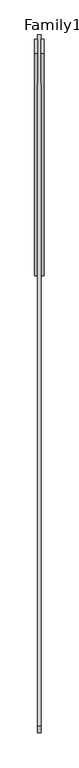
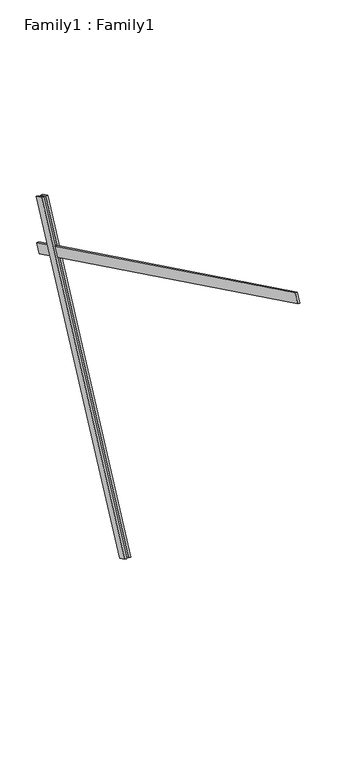
"""IFC4 building model written with IfcOpenShell, lengths in millimetres: proxy geometry, Family1 : Family1."""

from ifc_helpers import new_model, si_unit, frame, origin, place, context, project, spatial, polyline, outline, extrude, source, transform, mapped, element, save


def family1_family1_b83b1df0(model_context):
    return source(origin(), model_context, "Body", "SweptSolid", [
        extrude(outline(polyline([(0.0, 0.0), (0.0, -20.0), (-100.0000001, -20.0), (-100.0000001, 0.0), (0.0, 0.0)])), frame((-30.0, 46.3241747, -22.5938096), z_axis=(0.0, 0.4383711467890692, 0.8987940462991711), x_axis=(0.0, 0.8987940462991711, -0.4383711467890692)), (0.0, 0.0, 1.0), 3300.0),
        extrude(outline(polyline([(0.0, 0.0), (0.0, -20.0), (-99.9999999, -20.0), (-99.9999999, 0.0), (0.0, 0.0)])), frame((10.0, 45.270232, -22.0797674), z_axis=(0.0, 0.4383711467890692, 0.8987940462991711), x_axis=(0.0, 0.8987940462991711, -0.4383711467890692)), (0.0, 0.0, 1.0), 3300.0),
        extrude(outline(polyline([(0.0, -20.0), (0.0, 0.0), (5000.0, 0.0), (5000.0, -20.0), (0.0, -20.0)])), frame((-10.0, -3017.2496682, 4531.2663273), z_axis=(0.0, 0.43837114678907957, 0.8987940462991659), x_axis=(0.0, 0.8987940462991659, -0.43837114678907957)), (0.0, 0.0, 1.0), 100.0),
    ])


if __name__ == "__main__":
    model = new_model("IFC4")
    model_context = context("Model", 3, world=origin())
    ifc_project = project(units=[si_unit("LENGTHUNIT", "METRE", prefix="MILLI")], contexts=[model_context])
    site = spatial("IfcSite", under=ifc_project)
    building = spatial("IfcBuilding", under=site)
    placement = place(None, origin())
    family1_family1_shape = family1_family1_b83b1df0(model_context)
    element("IfcBuildingElementProxy", 1, Name="Family1 : Family1", ObjectType="Family1 : Family1", at=placement, inside=building, context=model_context, shape_type="MappedRepresentation", body=[
        mapped(family1_family1_shape, transform((0.0, 0.0, 0.0), x_axis=(1.0, 0.0, 0.0), y_axis=(0.0, 1.0, 0.0), z_axis=(0.0, 0.0, 1.0))),
    ])
    save(model, "model.ifc")
